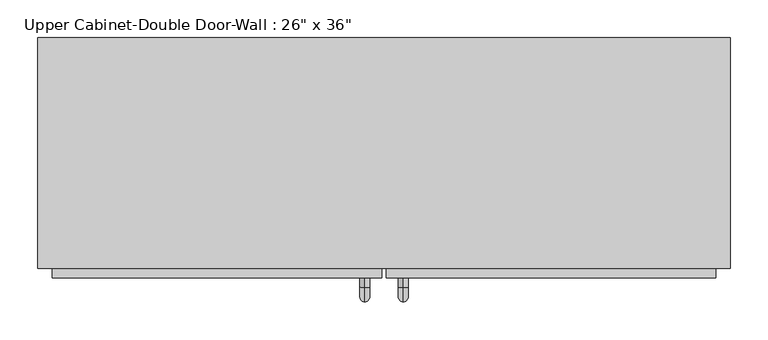
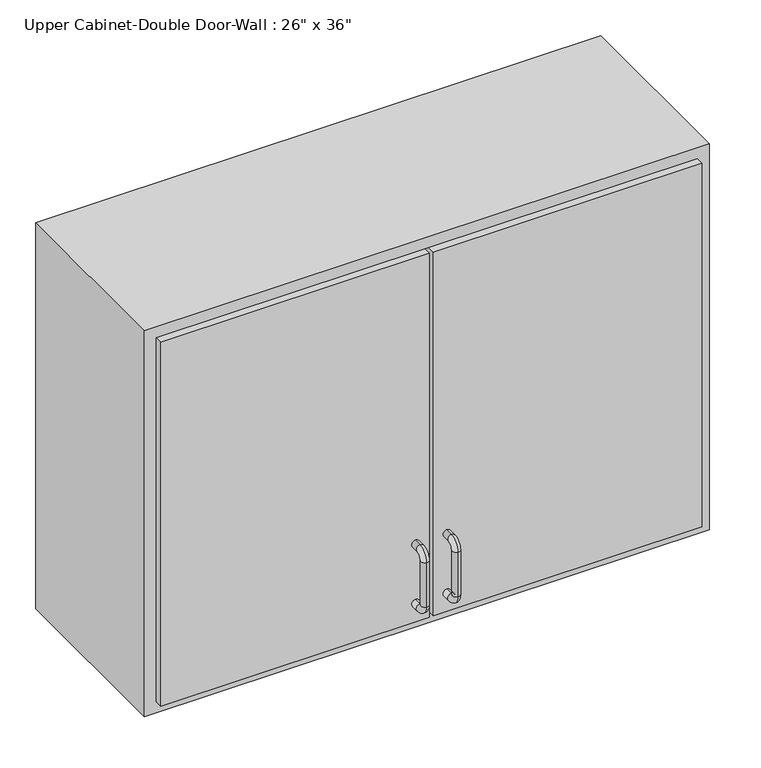
"""IFC4 building model written with IfcOpenShell, lengths in millimetres: furniture geometry."""

from ifc_helpers import new_model, si_unit, point, frame, origin, place, context, project, spatial, polyline, circle_curve, ellipse_curve, trimmed, outline, extrude, faceted_brep, source, transform, mapped, element, save
from ifc_brep_helpers import plane_surface, cylinder_surface, revolved_surface, advanced_brep


def furniture_cf8e5fe6(model_context):
    return source(origin(), model_context, "Body", "SolidModel", [
        faceted_brep([(-427.4288372, -61.9125, 2133.6), (486.9711628, -61.9125, 2133.6), (486.9711628, -61.9125, 1473.2), (-427.4288372, -61.9125, 1473.2), (-427.4288372, -366.7125, 2133.6), (-427.4288372, -366.7125, 1473.2), (486.9711628, -366.7125, 1473.2), (486.9711628, -366.7125, 2133.6), (-408.3788372, -366.7125, 2114.55), (467.9211628, -366.7125, 2114.55), (467.9211628, -366.7125, 1492.25), (-408.3788372, -366.7125, 1492.25), (-408.3788372, -80.9625, 2114.55), (467.9211628, -80.9625, 2114.55), (467.9211628, -80.9625, 1492.25), (-408.3788372, -80.9625, 1492.25)], [[[0, 1, 2, 3]], [[4, 5, 6, 7], [8, 9, 10, 11]], [[3, 5, 4, 0]], [[2, 6, 5, 3]], [[1, 7, 6, 2]], [[0, 4, 7, 1]], [[8, 12, 13, 9]], [[9, 13, 14, 10]], [[10, 14, 15, 11]], [[11, 15, 12, 8]], [[12, 15, 14, 13]]]),
        advanced_brep(
        [(55.1711628, -379.4125, 1619.25), (55.1711628, -379.4125, 1631.95), (55.1711628, -392.1125, 1631.95), (55.1711628, -392.1125, 1619.25), (55.1711628, -411.1625, 1612.9), (55.1711628, -398.4625, 1612.9), (55.1711628, -411.1625, 1536.7), (55.1711628, -398.4625, 1536.7), (55.1711628, -392.1125, 1517.65), (55.1711628, -392.1125, 1530.35), (55.1711628, -379.4125, 1530.35), (55.1711628, -379.4125, 1517.65)],
        [
            (0, 1, circle_curve(frame((55.1711628, -379.4125, 1625.6), z_axis=(0.0, 1.0, 0.0), x_axis=(0.0, 0.0, -1.0)), 6.35)),
            (1, 0, circle_curve(frame((55.1711628, -379.4125, 1625.6), z_axis=(0.0, 1.0, 0.0), x_axis=(0.0, 0.0, -1.0)), 6.35)),
            (1, 2),
            (2, 3, circle_curve(frame((55.1711628, -392.1125, 1625.6), z_axis=(0.0, 1.0, 0.0), x_axis=(0.0, 0.0, -1.0)), 6.35)),
            (3, 0),
            (3, 2, circle_curve(frame((55.1711628, -392.1125, 1625.6), z_axis=(0.0, 1.0, 0.0), x_axis=(0.0, 0.0, -1.0)), 6.35)),
            (4, 5, circle_curve(frame((55.1711628, -404.8125, 1612.9), z_axis=(0.0, 0.0, 1.0), x_axis=(0.0, 1.0, 0.0)), 6.35)),
            (5, 3, circle_curve(frame((55.1711628, -392.1125, 1612.9), z_axis=(-1.0, 0.0, 0.0), x_axis=(0.0, 0.0, 1.0)), 6.35)),
            (2, 4, circle_curve(frame((55.1711628, -392.1125, 1612.9), z_axis=(1.0, 0.0, 0.0), x_axis=(0.0, 0.0, 1.0)), 19.05)),
            (5, 4, circle_curve(frame((55.1711628, -404.8125, 1612.9), z_axis=(0.0, 0.0, 1.0), x_axis=(0.0, 1.0, 0.0)), 6.35)),
            (4, 6),
            (6, 7, circle_curve(frame((55.1711628, -404.8125, 1536.7), z_axis=(0.0, 0.0, 1.0), x_axis=(0.0, 1.0, 0.0)), 6.35)),
            (7, 5),
            (7, 6, circle_curve(frame((55.1711628, -404.8125, 1536.7), z_axis=(0.0, 0.0, 1.0), x_axis=(0.0, 1.0, 0.0)), 6.35)),
            (8, 9, circle_curve(frame((55.1711628, -392.1125, 1524.0), z_axis=(0.0, -1.0, 0.0), x_axis=(0.0, 0.0, 1.0)), 6.35)),
            (9, 7, circle_curve(frame((55.1711628, -392.1125, 1536.7), z_axis=(-1.0, 0.0, 0.0), x_axis=(0.0, -1.0, 0.0)), 6.35)),
            (6, 8, circle_curve(frame((55.1711628, -392.1125, 1536.7), z_axis=(1.0, 0.0, 0.0), x_axis=(0.0, -1.0, 0.0)), 19.05)),
            (9, 8, circle_curve(frame((55.1711628, -392.1125, 1524.0), z_axis=(0.0, -1.0, 0.0), x_axis=(0.0, 0.0, 1.0)), 6.35)),
            (10, 11, circle_curve(frame((55.1711628, -379.4125, 1524.0), z_axis=(0.0, 1.0, 0.0), x_axis=(0.0, 0.0, 1.0)), 6.35)),
            (11, 10, circle_curve(frame((55.1711628, -379.4125, 1524.0), z_axis=(0.0, 1.0, 0.0), x_axis=(0.0, 0.0, 1.0)), 6.35)),
            (8, 11),
            (10, 9),
        ],
        [
            plane_surface(frame((48.8211628, -379.4125, 1625.6), z_axis=(0.0, 1.0, 0.0), x_axis=(0.0, 0.0, 1.0))),
            cylinder_surface(frame((55.1711628, -379.4125, 1625.6), z_axis=(0.0, 1.0, 0.0), x_axis=(0.0, 0.0, -1.0)), 6.35),
            revolved_surface(trimmed(ellipse_curve(frame((55.1711628, -392.1125, 1625.6), z_axis=(0.0, -1.0, 0.0), x_axis=(0.0, 0.0, -1.0)), 6.35, 6.35), [point((55.1711628, -392.1125, 1619.25))], [point((55.1711628, -392.1125, 1631.95))], True, "CARTESIAN"), (55.1711628, -392.1125, 1612.9), (-1.0, 0.0, 0.0)),
            revolved_surface(trimmed(ellipse_curve(frame((55.1711628, -392.1125, 1625.6), z_axis=(0.0, -1.0, 0.0), x_axis=(0.0, 0.0, -1.0)), 6.35, 6.35), [point((55.1711628, -392.1125, 1631.95))], [point((55.1711628, -392.1125, 1619.25))], True, "CARTESIAN"), (55.1711628, -392.1125, 1612.9), (-1.0, 0.0, 0.0)),
            cylinder_surface(frame((55.1711628, -404.8125, 1612.9), z_axis=(0.0, 0.0, 1.0), x_axis=(0.0, 1.0, 0.0)), 6.35),
            revolved_surface(trimmed(ellipse_curve(frame((55.1711628, -404.8125, 1536.7), z_axis=(0.0, 0.0, -1.0), x_axis=(0.0, 1.0, 0.0)), 6.35, 6.35), [point((55.1711628, -398.4625, 1536.7))], [point((55.1711628, -411.1625, 1536.7))], True, "CARTESIAN"), (55.1711628, -392.1125, 1536.7), (-1.0, 0.0, 0.0)),
            revolved_surface(trimmed(ellipse_curve(frame((55.1711628, -404.8125, 1536.7), z_axis=(0.0, 0.0, -1.0), x_axis=(0.0, 1.0, 0.0)), 6.35, 6.35), [point((55.1711628, -411.1625, 1536.7))], [point((55.1711628, -398.4625, 1536.7))], True, "CARTESIAN"), (55.1711628, -392.1125, 1536.7), (-1.0, 0.0, 0.0)),
            plane_surface(frame((48.8211628, -379.4125, 1524.0), z_axis=(0.0, 1.0, 0.0), x_axis=(0.0, 0.0, -1.0))),
            cylinder_surface(frame((55.1711628, -392.1125, 1524.0), z_axis=(0.0, -1.0, 0.0), x_axis=(0.0, 0.0, 1.0)), 6.35),
        ],
        [
            (0, [[1, 2]]),
            (1, [[3, 4, 5, -2]]),
            (1, [[-5, 6, -3, -1]]),
            (2, [[7, 8, -4, 9]]),
            (3, [[10, -9, -6, -8]]),
            (4, [[11, 12, 13, -7]]),
            (4, [[-13, 14, -11, -10]]),
            (5, [[15, 16, -12, 17]]),
            (6, [[18, -17, -14, -16]]),
            (7, [[19, 20]]),
            (8, [[21, -19, 22, -15]]),
            (8, [[-22, -20, -21, -18]]),
        ],
    ),
        advanced_brep(
        [(4.3711628, -379.4125, 1619.25), (4.3711628, -379.4125, 1631.95), (4.3711628, -392.1125, 1631.95), (4.3711628, -392.1125, 1619.25), (4.3711628, -411.1625, 1612.9), (4.3711628, -398.4625, 1612.9), (4.3711628, -411.1625, 1536.7), (4.3711628, -398.4625, 1536.7), (4.3711628, -392.1125, 1517.65), (4.3711628, -392.1125, 1530.35), (4.3711628, -379.4125, 1530.35), (4.3711628, -379.4125, 1517.65)],
        [
            (0, 1, circle_curve(frame((4.3711628, -379.4125, 1625.6), z_axis=(0.0, 1.0, 0.0), x_axis=(0.0, 0.0, 1.0)), 6.35)),
            (1, 0, circle_curve(frame((4.3711628, -379.4125, 1625.6), z_axis=(0.0, 1.0, 0.0), x_axis=(0.0, 0.0, 1.0)), 6.35)),
            (1, 2),
            (2, 3, circle_curve(frame((4.3711628, -392.1125, 1625.6), z_axis=(0.0, 1.0, 0.0), x_axis=(0.0, 0.0, 1.0)), 6.35)),
            (3, 0),
            (3, 2, circle_curve(frame((4.3711628, -392.1125, 1625.6), z_axis=(0.0, 1.0, 0.0), x_axis=(0.0, 0.0, 1.0)), 6.35)),
            (4, 5, circle_curve(frame((4.3711628, -404.8125, 1612.9), z_axis=(0.0, 0.0, 1.0), x_axis=(0.0, -1.0, 0.0)), 6.35)),
            (5, 3, circle_curve(frame((4.3711628, -392.1125, 1612.9), z_axis=(-1.0, 0.0, 0.0), x_axis=(0.0, 0.0, 1.0)), 6.35)),
            (2, 4, circle_curve(frame((4.3711628, -392.1125, 1612.9), z_axis=(1.0, 0.0, 0.0), x_axis=(0.0, 0.0, 1.0)), 19.05)),
            (5, 4, circle_curve(frame((4.3711628, -404.8125, 1612.9), z_axis=(0.0, 0.0, 1.0), x_axis=(0.0, -1.0, 0.0)), 6.35)),
            (4, 6),
            (6, 7, circle_curve(frame((4.3711628, -404.8125, 1536.7), z_axis=(0.0, 0.0, 1.0), x_axis=(0.0, -1.0, 0.0)), 6.35)),
            (7, 5),
            (7, 6, circle_curve(frame((4.3711628, -404.8125, 1536.7), z_axis=(0.0, 0.0, 1.0), x_axis=(0.0, -1.0, 0.0)), 6.35)),
            (8, 9, circle_curve(frame((4.3711628, -392.1125, 1524.0), z_axis=(0.0, -1.0, 0.0), x_axis=(0.0, 0.0, -1.0)), 6.35)),
            (9, 7, circle_curve(frame((4.3711628, -392.1125, 1536.7), z_axis=(-1.0, 0.0, 0.0), x_axis=(0.0, -1.0, 0.0)), 6.35)),
            (6, 8, circle_curve(frame((4.3711628, -392.1125, 1536.7), z_axis=(1.0, 0.0, 0.0), x_axis=(0.0, -1.0, 0.0)), 19.05)),
            (9, 8, circle_curve(frame((4.3711628, -392.1125, 1524.0), z_axis=(0.0, -1.0, 0.0), x_axis=(0.0, 0.0, -1.0)), 6.35)),
            (10, 11, circle_curve(frame((4.3711628, -379.4125, 1524.0), z_axis=(0.0, 1.0, 0.0), x_axis=(0.0, 0.0, -1.0)), 6.35)),
            (11, 10, circle_curve(frame((4.3711628, -379.4125, 1524.0), z_axis=(0.0, 1.0, 0.0), x_axis=(0.0, 0.0, -1.0)), 6.35)),
            (8, 11),
            (10, 9),
        ],
        [
            plane_surface(frame((-1.9788372, -379.4125, 1625.6), z_axis=(0.0, 1.0, 0.0), x_axis=(0.0, 0.0, 1.0))),
            cylinder_surface(frame((4.3711628, -379.4125, 1625.6), z_axis=(0.0, 1.0, 0.0), x_axis=(0.0, 0.0, 1.0)), 6.35),
            revolved_surface(trimmed(ellipse_curve(frame((4.3711628, -392.1125, 1625.6), z_axis=(0.0, -1.0, 0.0), x_axis=(0.0, 0.0, 1.0)), 6.35, 6.35), [point((4.3711628, -392.1125, 1619.25))], [point((4.3711628, -392.1125, 1631.95))], True, "CARTESIAN"), (4.3711628, -392.1125, 1612.9), (-1.0, 0.0, 0.0)),
            revolved_surface(trimmed(ellipse_curve(frame((4.3711628, -392.1125, 1625.6), z_axis=(0.0, -1.0, 0.0), x_axis=(0.0, 0.0, 1.0)), 6.35, 6.35), [point((4.3711628, -392.1125, 1631.95))], [point((4.3711628, -392.1125, 1619.25))], True, "CARTESIAN"), (4.3711628, -392.1125, 1612.9), (-1.0, 0.0, 0.0)),
            cylinder_surface(frame((4.3711628, -404.8125, 1612.9), z_axis=(0.0, 0.0, 1.0), x_axis=(0.0, -1.0, 0.0)), 6.35),
            revolved_surface(trimmed(ellipse_curve(frame((4.3711628, -404.8125, 1536.7), z_axis=(0.0, 0.0, -1.0), x_axis=(0.0, -1.0, 0.0)), 6.35, 6.35), [point((4.3711628, -398.4625, 1536.7))], [point((4.3711628, -411.1625, 1536.7))], True, "CARTESIAN"), (4.3711628, -392.1125, 1536.7), (-1.0, 0.0, 0.0)),
            revolved_surface(trimmed(ellipse_curve(frame((4.3711628, -404.8125, 1536.7), z_axis=(0.0, 0.0, -1.0), x_axis=(0.0, -1.0, 0.0)), 6.35, 6.35), [point((4.3711628, -411.1625, 1536.7))], [point((4.3711628, -398.4625, 1536.7))], True, "CARTESIAN"), (4.3711628, -392.1125, 1536.7), (-1.0, 0.0, 0.0)),
            plane_surface(frame((-1.9788372, -379.4125, 1524.0), z_axis=(0.0, 1.0, 0.0), x_axis=(0.0, 0.0, -1.0))),
            cylinder_surface(frame((4.3711628, -392.1125, 1524.0), z_axis=(0.0, -1.0, 0.0), x_axis=(0.0, 0.0, -1.0)), 6.35),
        ],
        [
            (0, [[1, 2]]),
            (1, [[3, 4, 5, -2]]),
            (1, [[-5, 6, -3, -1]]),
            (2, [[7, 8, -4, 9]]),
            (3, [[10, -9, -6, -8]]),
            (4, [[11, 12, 13, -7]]),
            (4, [[-13, 14, -11, -10]]),
            (5, [[15, 16, -12, 17]]),
            (6, [[18, -17, -14, -16]]),
            (7, [[19, 20]]),
            (8, [[21, -19, 22, -15]]),
            (8, [[-22, -20, -21, -18]]),
        ],
    ),
        extrude(outline(polyline([(32.9461628, -379.4125), (32.9461628, -347.6625), (467.9211628, -347.6625), (467.9211628, -379.4125), (32.9461628, -379.4125)])), frame((0.0, 0.0, 1492.25), z_axis=(0.0, 0.0, 1.0), x_axis=(1.0, 0.0, 0.0)), (0.0, 0.0, 1.0), 622.3),
        extrude(outline(polyline([(-408.3788372, -379.4125), (-408.3788372, -347.6625), (26.5961628, -347.6625), (26.5961628, -379.4125), (-408.3788372, -379.4125)])), frame((0.0, 0.0, 1492.25), z_axis=(0.0, 0.0, 1.0), x_axis=(1.0, 0.0, 0.0)), (0.0, 0.0, 1.0), 622.3),
    ])


if __name__ == "__main__":
    model = new_model("IFC4")
    model_context = context("Model", 3, world=origin())
    ifc_project = project(units=[si_unit("LENGTHUNIT", "METRE", prefix="MILLI")], contexts=[model_context])
    site = spatial("IfcSite", under=ifc_project)
    building = spatial("IfcBuilding", under=site)
    placement = place(None, origin())
    furniture_shape = furniture_cf8e5fe6(model_context)
    element("IfcFurniture", 1, ObjectType="Upper Cabinet-Double Door-Wall : 26\" x 36\"", at=placement, inside=building, context=model_context, shape_type="MappedRepresentation", body=[
        mapped(furniture_shape, transform((0.0, 0.0, 0.0), x_axis=(1.0, 0.0, 0.0), y_axis=(0.0, 1.0, 0.0), z_axis=(0.0, 0.0, 1.0))),
    ])
    save(model, "model.ifc")
